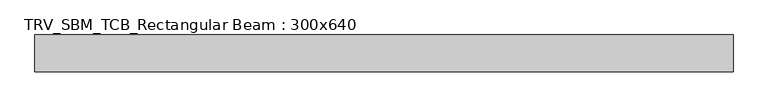
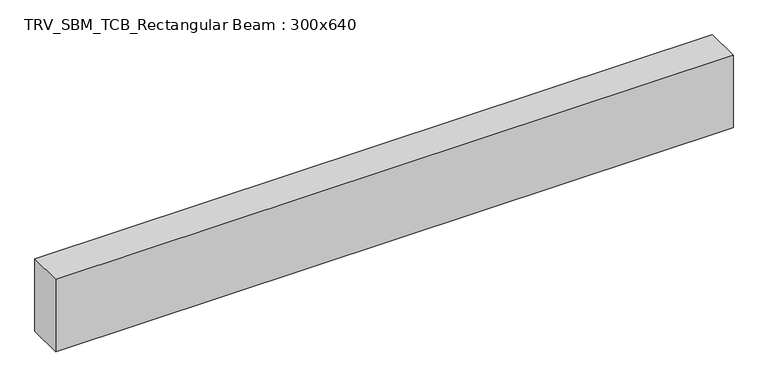
"""IFC4 building model written with IfcOpenShell, lengths in millimetres: beam geometry, TRV_SBM_TCB_Rectangular Beam : 300x640."""

from ifc_helpers import new_model, si_unit, frame, origin, place, context, project, spatial, polyline, outline, extrude, source, transform, mapped, element, save


def trv_sbm_tcb_rectangular_beam_300x640_3d9f84c2(model_context):
    return source(origin(), model_context, "Body", "SweptSolid", [
        extrude(outline(polyline([(2831.2, 150.0), (2831.2, -150.0), (-2831.2, -150.0), (-2831.2, 150.0), (2831.2, 150.0)])), frame((0.0, 0.0, -320.0), z_axis=(0.0, 0.0, 1.0), x_axis=(1.0, 0.0, 0.0)), (0.0, 0.0, 1.0), 640.0),
    ])


if __name__ == "__main__":
    model = new_model("IFC4")
    model_context = context("Model", 3, world=origin())
    ifc_project = project(units=[si_unit("LENGTHUNIT", "METRE", prefix="MILLI")], contexts=[model_context])
    site = spatial("IfcSite", under=ifc_project)
    building = spatial("IfcBuilding", under=site)
    placement = place(None, origin())
    trv_sbm_tcb_rectangular_beam_300x640_shape = trv_sbm_tcb_rectangular_beam_300x640_3d9f84c2(model_context)
    element("IfcBeam", 1, ObjectType="TRV_SBM_TCB_Rectangular Beam : 300x640", at=placement, inside=building, context=model_context, shape_type="MappedRepresentation", body=[
        mapped(trv_sbm_tcb_rectangular_beam_300x640_shape, transform((0.0, 0.0, 0.0), x_axis=(1.0, 0.0, 0.0), y_axis=(0.0, 1.0, 0.0), z_axis=(0.0, 0.0, 1.0))),
    ])
    save(model, "model.ifc")
